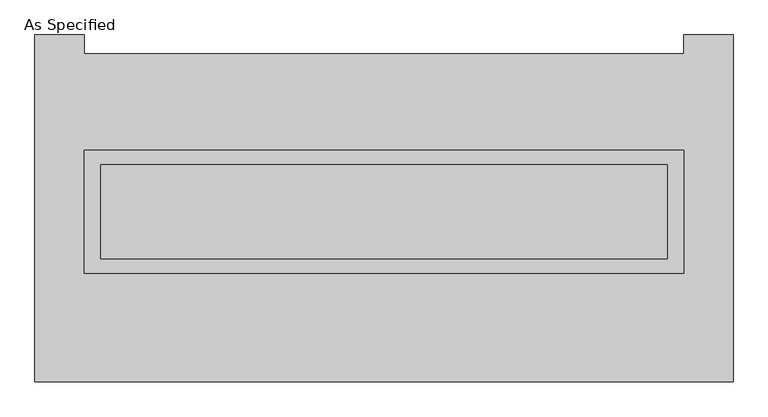
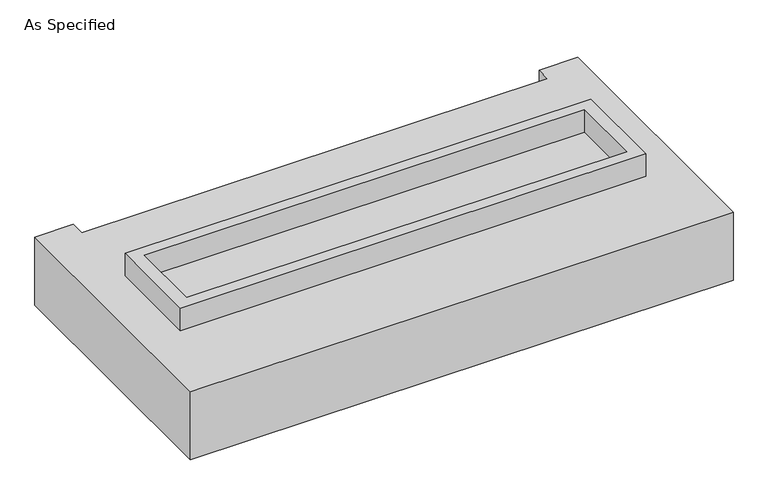
"""IFC4 building model written with IfcOpenShell, lengths in millimetres: proxy geometry, As Specified."""

from ifc_helpers import new_model, si_unit, frame, origin, place, context, project, spatial, polyline, outline, extrude, faceted_brep, source, transform, mapped, element, save


def as_specified_5c4a2efe(model_context):
    return source(origin(), model_context, "Body", "SolidModel", [
        extrude(outline(polyline([(1612.9, 361.95), (1612.9, -298.45), (-1612.9, -298.45), (-1612.9, 361.95), (1612.9, 361.95)]), holes=[polyline([(1524.0, 285.75), (-1524.0, 285.75), (-1524.0, -222.25), (1524.0, -222.25), (1524.0, 285.75)])]), frame((0.0, 0.0, -25.4), z_axis=(0.0, 0.0, 1.0), x_axis=(1.0, 0.0, 0.0)), (0.0, 0.0, 1.0), 165.1),
        extrude(outline(polyline([(1524.0, 285.75), (1524.0, -222.25), (-1524.0, -222.25), (-1524.0, 285.75), (1524.0, 285.75)])), frame((0.0, 0.0, -30.3609375), z_axis=(0.0, 0.0, 1.0), x_axis=(1.0, 0.0, 0.0)), (0.0, 0.0, 1.0), 4.9609375),
        faceted_brep([(1879.6, -882.65, -523.875), (-1879.6, -882.65, -523.875), (-1879.6, 984.25, -523.875), (-1612.9, 984.25, -523.875), (-1612.9, 882.65, -523.875), (1612.9, 882.65, -523.875), (1612.9, 984.25, -523.875), (1879.6, 984.25, -523.875), (-1879.6, -882.65, -25.4), (1879.6, -882.65, -25.4), (1879.6, 984.25, -25.4), (1612.9, 984.25, -25.4), (1612.9, 882.65, -25.4), (-1612.9, 882.65, -25.4), (-1612.9, 984.25, -25.4), (-1879.6, 984.25, -25.4), (-1612.9, -298.45, -25.4), (-1612.9, 361.95, -25.4), (1612.9, 361.95, -25.4), (1612.9, -298.45, -25.4), (1612.9, 361.95, -498.475), (-1612.9, 361.95, -498.475), (-1612.9, -298.45, -498.475), (1612.9, -298.45, -498.475)], [[[0, 1, 2, 3, 4, 5, 6, 7]], [[8, 9, 10, 11, 12, 13, 14, 15], [16, 17, 18, 19]], [[4, 13, 12, 5]], [[1, 8, 15, 2]], [[10, 9, 0, 7]], [[20, 21, 22, 23]], [[22, 21, 17, 16]], [[21, 20, 18, 17]], [[20, 23, 19, 18]], [[16, 19, 23, 22]], [[1, 0, 9, 8]], [[4, 3, 14, 13]], [[3, 2, 15, 14]], [[6, 5, 12, 11]], [[7, 6, 11, 10]]]),
    ])


if __name__ == "__main__":
    model = new_model("IFC4")
    model_context = context("Model", 3, world=origin())
    ifc_project = project(units=[si_unit("LENGTHUNIT", "METRE", prefix="MILLI")], contexts=[model_context])
    site = spatial("IfcSite", under=ifc_project)
    building = spatial("IfcBuilding", under=site)
    placement = place(None, origin())
    as_specified_shape = as_specified_5c4a2efe(model_context)
    element("IfcBuildingElementProxy", 1, Name="As Specified", ObjectType="As Specified", at=placement, inside=building, context=model_context, shape_type="MappedRepresentation", body=[
        mapped(as_specified_shape, transform((0.0, 0.0, 0.0), x_axis=(1.0, 0.0, 0.0), y_axis=(0.0, 1.0, 0.0), z_axis=(0.0, 0.0, 1.0))),
    ])
    save(model, "model.ifc")
